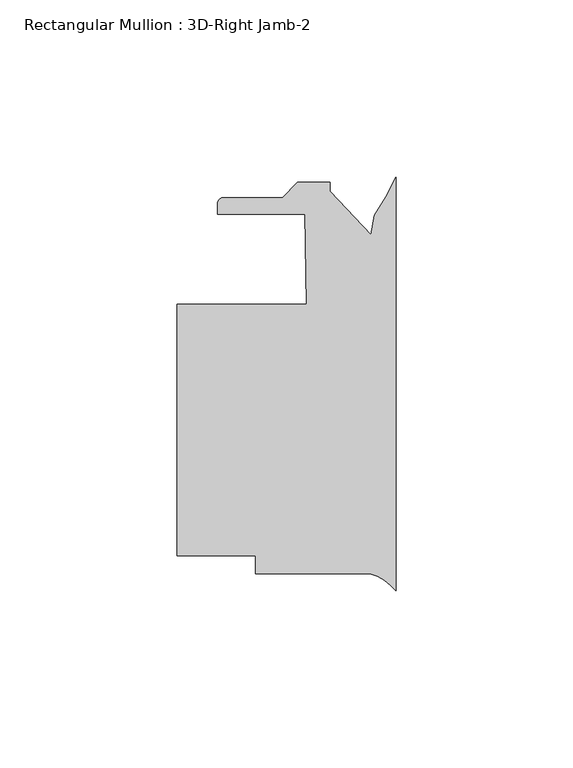
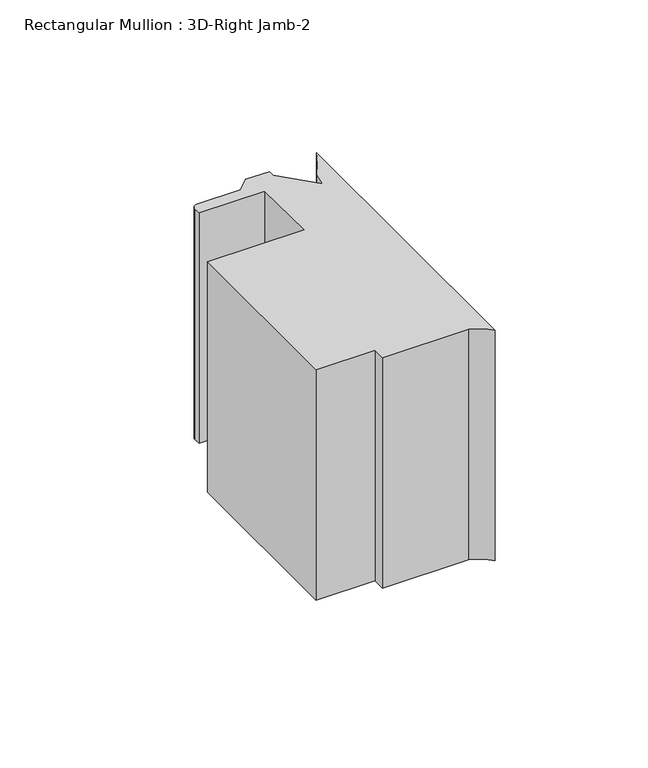
"""IFC4 building model written with IfcOpenShell, lengths in millimetres: member geometry, Rectangular Mullion : 3D-Right Jamb-2."""

from ifc_helpers import new_model, si_unit, point, frame, frame_2d, origin, place, context, project, spatial, polyline, circle_curve, trimmed, segment, composite_curve, outline, extrude, source, transform, mapped, element, save


def rectangular_mullion_3d_right_jamb_2_8a94d557(model_context):
    return source(origin(), model_context, "Body", "SweptSolid", [
        extrude(outline(composite_curve([segment(polyline([(0.0, 50.172664), (0.0, -66.7561009)]), True, "CONTINUOUS"), segment(trimmed(circle_curve(frame_2d((-10.8196816, -75.1483498)), 13.6928942), [point((0.0, -66.7561009))], [point((-7.2925126, -61.9175361))], True, "CARTESIAN"), True, "CONTINUOUS"), segment(polyline([(-7.2925126, -61.9175361), (-39.6875, -61.9175361), (-39.6875, -56.8375361), (-61.9124999, -56.8375361), (-61.9124999, 14.2824639), (-25.3026718, 14.2824639), (-25.7460305, 39.6824637), (-50.4261495, 39.6824637), (-50.4261495, 42.6034639)]), True, "CONTINUOUS"), segment(trimmed(circle_curve(frame_2d((-48.6481495, 42.6034639)), 1.778), [point((-50.4261495, 42.6034639))], [point((-48.6481495, 44.3814639))], False, "CARTESIAN"), True, "CONTINUOUS"), segment(polyline([(-48.6481495, 44.3814639), (-32.0436417, 44.3814639), (-27.7764417, 48.6486639), (-18.6761495, 48.6486639), (-18.6761495, 46.1086639), (-7.0515961, 33.9028827), (-6.0929444, 39.3396665)]), True, "CONTINUOUS"), segment(trimmed(circle_curve(frame_2d((-51.6557302, 72.0961057)), 56.1155216), [point((-6.0929444, 39.3396665))], [point((0.0, 50.172664))], True, "CARTESIAN"), True, "CONTINUOUS")], self_intersect=False)), frame((0.0, 0.0, -92.075), z_axis=(0.0, 0.0, 1.0), x_axis=(1.0, 0.0, 0.0)), (0.0, 0.0, 1.0), 92.075),
    ])


if __name__ == "__main__":
    model = new_model("IFC4")
    model_context = context("Model", 3, world=origin())
    ifc_project = project(units=[si_unit("LENGTHUNIT", "METRE", prefix="MILLI")], contexts=[model_context])
    site = spatial("IfcSite", under=ifc_project)
    building = spatial("IfcBuilding", under=site)
    placement = place(None, origin())
    rectangular_mullion_3d_right_jamb_2_shape = rectangular_mullion_3d_right_jamb_2_8a94d557(model_context)
    element("IfcMember", 1, ObjectType="Rectangular Mullion : 3D-Right Jamb-2", at=placement, inside=building, context=model_context, shape_type="MappedRepresentation", body=[
        mapped(rectangular_mullion_3d_right_jamb_2_shape, transform((0.0, 0.0, 0.0), x_axis=(1.0, 0.0, 0.0), y_axis=(0.0, 1.0, 0.0), z_axis=(0.0, 0.0, 1.0))),
    ])
    save(model, "model.ifc")
